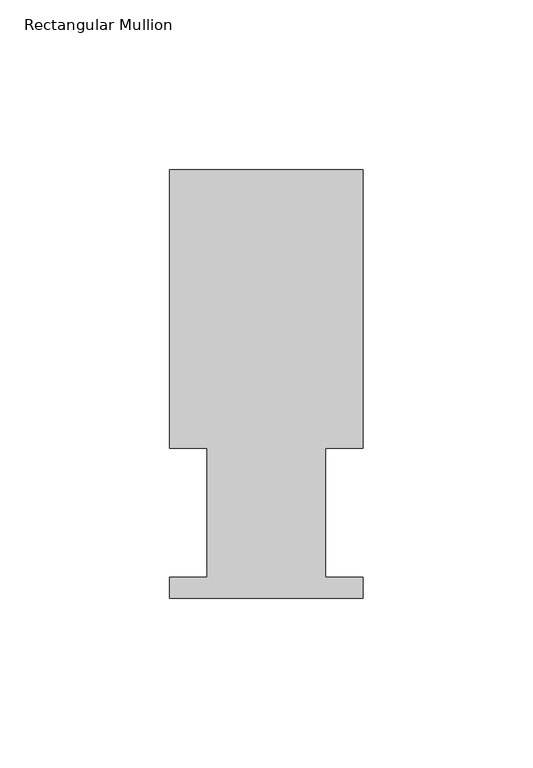
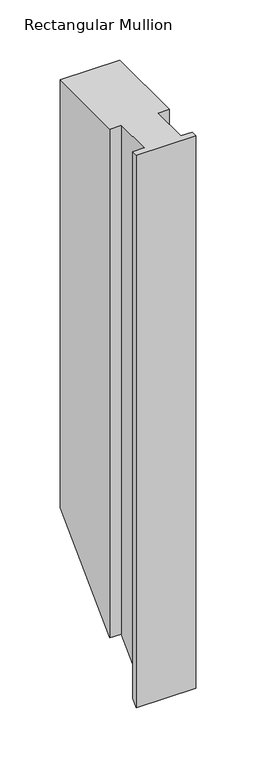
"""IFC4 building model written with IfcOpenShell, lengths in millimetres: member geometry, Rectangular Mullion."""

from ifc_helpers import new_model, si_unit, origin, place, context, project, spatial, faceted_brep, source, transform, mapped, element, save


def rectangular_mullion_f64968d6(model_context):
    return source(origin(), model_context, "Body", "Brep", [
        faceted_brep([(0.0, 126.619, 0.0), (-57.15, 126.619, 0.0), (-57.15, 44.45, 0.0), (-46.0370705, 44.45, 0.0), (-46.0370705, 6.35, 0.0), (-57.15, 6.35, 0.0), (-57.15, 0.2798837, 0.0), (0.0, 0.2798837, 0.0), (0.0, 6.35, 0.0), (-11.1120704, 6.35, 0.0), (-11.1120704, 44.45, 0.0), (0.0, 44.45, 0.0), (0.0, 126.619, -434.1110284), (-57.15, 126.619, -434.1110284), (-57.15, 44.45, -516.2800284), (-46.0370705, 44.45, -516.2800284), (-46.0370705, 6.35, -554.3800284), (-57.15, 6.35, -554.3800284), (-57.15, 0.2798837, -560.4501447), (0.0, 0.2798837, -560.4501447), (0.0, 6.35, -554.3800284), (-11.1120704, 6.35, -554.3800284), (-11.1120704, 44.45, -516.2800284), (0.0, 44.45, -516.2800284)], [[[0, 1, 2, 3, 4, 5, 6, 7, 8, 9, 10, 11]], [[1, 0, 12, 13]], [[2, 1, 13, 14]], [[3, 2, 14, 15]], [[4, 3, 15, 16]], [[5, 4, 16, 17]], [[6, 5, 17, 18]], [[7, 6, 18, 19]], [[8, 7, 19, 20]], [[9, 8, 20, 21]], [[10, 9, 21, 22]], [[11, 10, 22, 23]], [[0, 11, 23, 12]], [[12, 23, 22, 21, 20, 19, 18, 17, 16, 15, 14, 13]]]),
    ])


if __name__ == "__main__":
    model = new_model("IFC4")
    model_context = context("Model", 3, world=origin())
    ifc_project = project(units=[si_unit("LENGTHUNIT", "METRE", prefix="MILLI")], contexts=[model_context])
    site = spatial("IfcSite", under=ifc_project)
    building = spatial("IfcBuilding", under=site)
    placement = place(None, origin())
    rectangular_mullion_shape = rectangular_mullion_f64968d6(model_context)
    element("IfcMember", 1, ObjectType="Rectangular Mullion", at=placement, inside=building, context=model_context, shape_type="MappedRepresentation", body=[
        mapped(rectangular_mullion_shape, transform((0.0, 0.0, 0.0), x_axis=(1.0, 0.0, 0.0), y_axis=(0.0, 1.0, 0.0), z_axis=(0.0, 0.0, 1.0))),
    ])
    save(model, "model.ifc")
